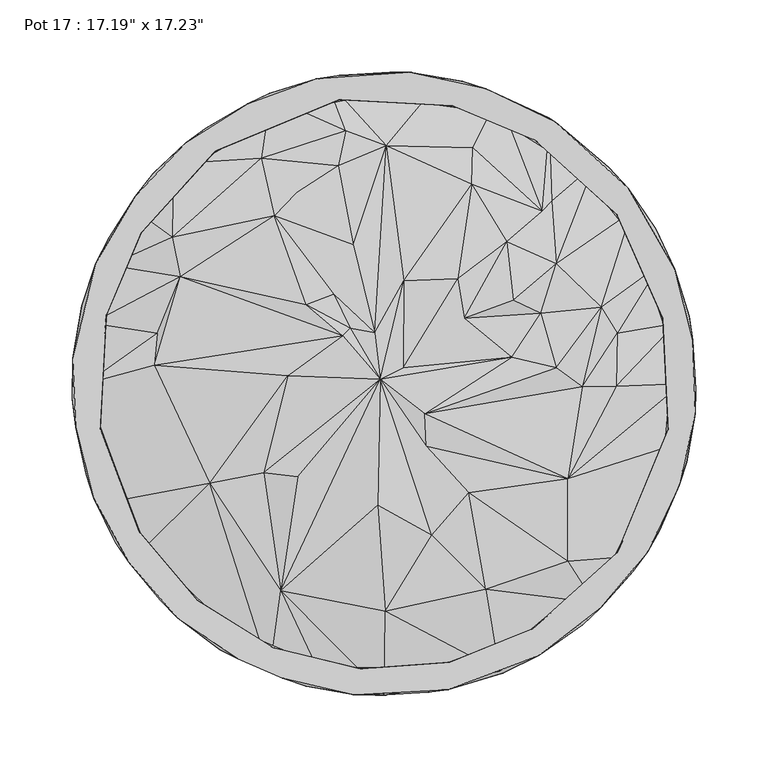
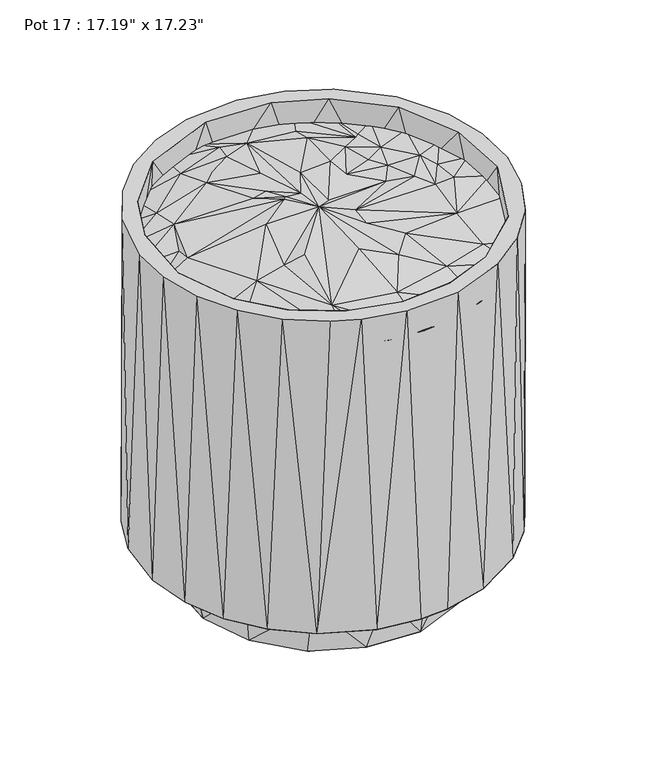
"""IFC4 building model written with IfcOpenShell, lengths in millimetres: furniture geometry."""

from ifc_helpers import new_model, si_unit, origin, place, context, project, spatial, triangles, source, transform, mapped, element, save


def furniture_3b4fa80d(model_context):
    return source(origin(), model_context, "Body", "Tessellation", [
        triangles([(-113.512757, -177.8263368, 431.5427361), (-79.1554428, -199.5474674, 433.4929078), (-172.1236689, -120.2713107, 433.671458), (-144.565104, -151.2540307, 431.5427361), (-39.9708751, -211.1917966, 432.8522856), (-71.5866097, -143.7030472, 448.0949962), (-120.8410252, -69.2688097, 452.5847294), (0.46134, -216.1950159, 433.6086348), (40.3082364, -209.7301852, 431.5427361), (79.9987325, -199.7872056, 433.7444186), (0.844717, -158.0730186, 448.4695736), (114.1757979, -177.8261915, 431.5427361), (146.2011324, -152.1011719, 432.649391), (70.6965932, -142.9599512, 449.2403841), (-4.1003226, -84.4884657, 462.8542697), (-83.4639098, -61.841397, 455.3624668), (-59.8716725, -64.8155205, 462.0828415), (-2.6347638, 3.0398294, 463.6527675), (33.3988675, -105.2717266, 454.1452083), (127.7081932, -123.281583, 445.7669769), (58.8538658, -75.8834632, 455.8590208), (172.7149482, -119.8451194, 433.4251431), (-190.8445284, -82.4226125, 433.1630588), (29.5429233, -43.6255121, 459.1677215), (127.7303666, -66.0076307, 451.6950671), (189.6479081, -81.934897, 431.5427361), (202.7702358, -42.1216431, 432.7954213), (-159.4517316, 12.5431604, 446.4621017), (-206.3221992, -0.3055558, 433.0070363), (-200.6456925, -41.852519, 431.5426271), (-66.8027402, 5.2789525, 462.1903567), (28.2723908, -21.1063402, 464.008705), (206.6884014, -0.193879, 432.7560342), (137.7725589, -2.1599532, 447.3089976), (161.2205554, -2.0162389, 448.1670121), (88.9072458, 18.0862848, 456.1971179), (119.5335377, 10.9756064, 455.7706541), (-157.1855546, 34.7749736, 440.7497686), (-202.8088599, 41.8494259, 433.3850656), (-28.5210607, 33.2193863, 464.1219249), (-141.2019735, 74.0407477, 446.6941006), (13.5409828, 10.9662524, 461.6588848), (13.7057302, 71.3509183, 460.9431945), (-23.1494909, 38.3733345, 462.4003366), (-6.4563749, 35.0484807, 463.642412), (55.7858936, 45.3588002, 460.4328332), (51.4462012, 72.7410769, 462.2214231), (109.0788797, 48.8166515, 450.9782504), (151.0481839, 53.0303523, 446.8084468), (161.8442455, 34.7752347, 442.7702485), (203.1106946, 41.872049, 433.0898437), (-190.1638468, 81.9523378, 432.5822803), (-53.9891737, 54.758231, 461.612485), (-34.6560469, 61.7799817, 459.631683), (-76.1451705, 116.2512435, 452.1652056), (1.532793, 164.8914795, 447.4300658), (-21.1348541, 96.3172859, 457.6141099), (89.8203805, 57.8773766, 459.8539804), (85.1509616, 98.4905725, 453.7689231), (119.7085361, 83.1500663, 450.2837797), (191.0500573, 82.2007965, 432.8339364), (172.009468, 119.2862509, 432.8161323), (-146.8448612, 101.5157604, 446.3573479), (-170.6850576, 118.9236186, 432.1781625), (61.0797383, 138.2060081, 449.3941175), (110.0006076, 119.6694034, 444.6200266), (116.4777286, 126.4833679, 442.0618615), (146.5523282, 152.1180859, 433.0748374), (-146.1839641, 152.4093744, 433.4334274), (-85.196017, 156.2397911, 443.0088241), (-60.9874747, 131.8657065, 450.6162812), (-31.6114426, 150.9577643, 449.4079974), (114.9096467, 178.6539026, 432.7322711), (61.7551786, 163.7321935, 442.1760261), (79.4103146, 198.6782254, 432.9247375), (-78.784944, 198.663437, 432.9247375), (-113.5129932, 177.4906742, 431.5426271), (-26.368619, 175.5021873, 445.2420453), (40.5914767, 211.554002, 433.4416391), (-40.044785, 210.6499147, 432.6893231), (0.3316403, 213.5003948, 431.5426271)], [[1, 2, 3], [1, 3, 4], [2, 5, 6], [2, 6, 7], [2, 7, 3], [5, 8, 6], [8, 9, 10], [8, 10, 11], [8, 11, 6], [10, 12, 13], [10, 14, 11], [10, 13, 14], [6, 11, 15], [6, 16, 7], [6, 17, 16], [6, 15, 18], [6, 18, 17], [11, 14, 19], [11, 19, 15], [14, 13, 20], [14, 20, 21], [14, 21, 19], [13, 22, 20], [3, 7, 23], [19, 21, 24], [19, 24, 18], [19, 18, 15], [20, 22, 25], [20, 25, 21], [22, 26, 27], [22, 27, 25], [23, 7, 28], [23, 29, 30], [23, 28, 29], [7, 16, 31], [7, 31, 28], [16, 17, 18], [16, 18, 31], [21, 25, 24], [25, 32, 24], [25, 27, 33], [25, 34, 32], [25, 35, 34], [25, 33, 35], [32, 18, 24], [32, 36, 18], [32, 37, 36], [32, 34, 37], [29, 28, 38], [29, 38, 39], [28, 40, 41], [28, 31, 40], [28, 41, 38], [31, 18, 40], [18, 42, 43], [18, 36, 42], [18, 44, 40], [18, 45, 44], [18, 43, 45], [42, 36, 46], [42, 46, 47], [42, 47, 43], [36, 37, 48], [36, 48, 46], [37, 34, 49], [37, 49, 48], [34, 35, 50], [34, 50, 49], [35, 33, 51], [35, 51, 50], [39, 38, 41], [39, 41, 52], [53, 40, 44], [53, 44, 54], [53, 41, 40], [53, 54, 55], [53, 55, 41], [44, 45, 54], [45, 43, 56], [45, 57, 54], [45, 56, 57], [46, 48, 58], [46, 58, 59], [46, 59, 47], [48, 49, 60], [48, 60, 58], [49, 50, 61], [49, 61, 62], [49, 62, 60], [50, 51, 61], [52, 41, 63], [52, 63, 64], [41, 55, 63], [54, 57, 55], [43, 47, 65], [43, 65, 56], [47, 59, 65], [58, 60, 59], [60, 66, 59], [60, 67, 66], [60, 62, 68], [60, 68, 67], [64, 63, 69], [63, 55, 70], [63, 70, 69], [55, 71, 70], [55, 57, 71], [71, 57, 72], [71, 72, 70], [57, 56, 72], [59, 66, 65], [66, 67, 73], [66, 74, 65], [66, 75, 74], [66, 73, 75], [67, 68, 73], [69, 70, 76], [69, 76, 77], [70, 72, 78], [70, 78, 76], [72, 56, 78], [56, 65, 74], [56, 74, 79], [56, 80, 78], [56, 79, 80], [74, 75, 79], [76, 78, 80], [80, 79, 81]], closed=False),
        triangles([(40.5840871, -194.5947719, 388.815911), (-16.2720684, -198.0903979, 466.7487267), (45.7017435, -193.5341353, 466.7485087), (98.6955201, -172.6400436, 388.815911), (-108.6866889, -166.1112815, 388.8160927), (-165.3656875, -111.3559119, 388.815911), (-129.4369667, -150.5314095, 466.7487267), (-76.6212951, -183.2726068, 466.7485814), (103.2342874, -170.0504488, 466.7485814), (157.2804434, -123.3963379, 388.8159837), (-197.7846571, -24.0106506, 388.8160927), (-196.8052474, -31.5153456, 466.7432765), (-169.5516057, -103.0703348, 466.7486541), (161.8940789, -117.3972764, 466.7432765), (191.8415969, -52.5710825, 388.8160927), (197.4170197, -31.6245413, 466.8056637), (198.4496056, 23.6799409, 388.8160927), (-191.1790283, 52.2344207, 388.815911), (-192.5573417, 47.1946393, 466.7486541), (193.6974611, 45.2046263, 466.7486541), (172.8031696, 98.1974037, 388.815911), (-165.6131833, 108.8496877, 388.8159837), (-168.4815947, 104.4814133, 466.7484724), (-123.8019454, 154.7945668, 388.8159837), (-117.0992841, 161.2496778, 466.7432402), (161.7479396, 117.2641632, 466.7432402), (133.9669227, 146.6787195, 388.8158747), (-69.8404318, 185.5694688, 388.8159837), (104.9795115, 168.6458289, 466.7487267), (69.0293303, 187.1798538, 388.8160927), (-9.0103148, 198.1630497, 388.815911), (-31.0189733, 196.9686459, 466.7430948), (47.6930146, 192.7212125, 466.7485087), (-101.2742507, -191.1231814, 466.7638421), (-143.2685897, -162.4583977, 466.7928374), (-70.1041239, -204.6872154, 466.7633334), (-20.4505913, -215.8695089, 466.7928011), (44.3239206, -212.5694378, 466.7727805), (107.8066827, -188.5793505, 466.7729259), (150.5827872, -155.7759749, 466.7635514), (-176.8660575, -124.2264017, 466.7634424), (183.0882976, -116.6112688, 466.7929828), (-201.296325, -79.5748576, 466.7929828), (204.8509046, -70.6031033, 466.7634788), (-213.863127, -30.3087241, 466.7638421), (216.0327438, -20.9520528, 466.7928374), (-215.8467813, 17.6365563, 466.7727442), (214.5366687, 29.9239388, 466.7634424), (-199.7637696, 83.5702442, 466.7726352), (201.9581851, 79.2422471, 466.7928374), (-172.4128773, 130.0208972, 466.7633334), (169.6095418, 135.4603181, 466.7727805), (-137.4967127, 167.0531027, 466.7926558), (-94.4802795, 194.255294, 466.7633334), (-46.558618, 211.3997599, 466.7928011), (119.4145679, 181.1311496, 466.7729259), (18.1365008, 216.0108157, 466.7727805), (70.7671648, 204.3521886, 466.7634788), (-96.6699079, -134.4074754, 0.0672458), (-38.7246621, -160.2741378, 0.3102185), (-92.2768076, -139.0320841, 58.7339013), (-140.460013, -85.8032292, 0.0032334), (26.4973629, -163.7445837, 0.0047373), (-17.4894337, -164.1295166, 58.7380844), (97.9073051, -134.0374671, 0.022326), (82.2885001, -143.2903544, 58.7380844), (34.0485576, -161.6119195, 58.738148), (154.6511707, -63.5041316, 0.0033642), (122.5037598, -110.9601875, 58.7379527), (-142.7905575, -82.1262553, 58.737821), (-163.2149285, -26.3263432, 0.4317702), (-159.7623776, 38.8568442, 0.0609688), (-133.8074212, 96.9525305, 0.0146105), (97.4495387, 133.9723457, 0.0068296), (141.1283043, 85.4432131, 0.0610342), (163.8753352, 25.9968143, 0.4307894), (165.9820016, -6.0824679, 58.7360542), (150.7608922, -67.78428, 58.7380163), (-166.4459631, -6.8699641, 58.7337015), (-150.0983236, 67.4487218, 58.7377528), (154.5136065, 58.3892276, 58.737821), (121.6442556, 112.779753, 58.7359906), (-121.8407189, 110.6250426, 58.737821), (-75.0858783, 147.2903373, 0.4315086), (12.7615927, 166.1378424, 0.0964078), (-81.6259406, 142.9549461, 58.7376892), (-33.3862298, 161.2765657, 58.7376892), (18.1517604, 163.7943081, 58.7376302), (67.9483416, 150.2618493, 58.7376302), (-113.6758284, -184.7002813, 58.8305388), (-155.2770228, -150.4188891, 58.8336727), (-53.938391, -209.9628382, 58.8234126), (-3.456831, -216.4431476, 58.8339361), (30.47371, -214.3617339, 58.8339361), (82.6091746, -200.8671179, 58.8304071), (138.1597537, -167.3877298, 58.8233444), (-186.3904035, -110.1413785, 58.8230856), (173.0751915, -130.3558604, 58.8337453), (191.3351961, -101.6820656, 58.8336727), (-206.5293813, -63.3977518, 58.8335455), (210.1266363, -54.437116, 58.8232809), (-216.3374491, -10.3911092, 58.8303435), (216.6066187, -3.9559305, 58.8335455), (-209.4633592, 54.1027478, 58.8230856), (211.8980943, 46.7221572, 58.8230856), (-190.6518984, 101.3945014, 58.8335455), (188.7433485, 107.3069857, 58.8302799), (-160.1064155, 145.8106039, 58.8302799), (114.3386332, 184.3647277, 58.8300165), (155.9400637, 150.0834717, 58.8337453), (-123.6825032, 177.0560713, 58.8332866), (-79.0779584, 201.4590694, 58.8228903), (-29.7601225, 214.0376803, 58.8335455), (4.1718483, 216.1027432, 58.8332866), (54.6014319, 209.6273572, 58.8229538), (-38.2120617, -195.9551539, 388.8160927)], [[1, 2, 3], [1, 3, 4], [5, 6, 7], [5, 7, 8], [4, 3, 9], [4, 9, 10], [6, 11, 12], [6, 13, 7], [6, 12, 13], [10, 9, 14], [10, 14, 15], [15, 14, 16], [15, 16, 17], [11, 18, 19], [11, 19, 12], [17, 20, 21], [17, 16, 20], [18, 22, 23], [18, 23, 19], [22, 24, 25], [22, 25, 23], [21, 20, 26], [21, 26, 27], [24, 28, 25], [27, 26, 29], [27, 29, 30], [28, 31, 32], [28, 32, 25], [31, 30, 33], [31, 33, 32], [30, 29, 33], [34, 8, 35], [34, 36, 8], [8, 36, 2], [8, 7, 35], [36, 37, 2], [37, 38, 3], [37, 3, 2], [38, 39, 9], [38, 9, 3], [39, 40, 14], [39, 14, 9], [35, 7, 41], [7, 13, 41], [40, 42, 14], [41, 13, 43], [13, 12, 43], [14, 42, 16], [42, 44, 16], [43, 12, 45], [44, 46, 16], [45, 12, 47], [12, 19, 47], [16, 46, 20], [46, 48, 20], [47, 19, 49], [48, 50, 20], [49, 19, 23], [49, 23, 51], [20, 50, 26], [50, 52, 26], [23, 53, 51], [23, 25, 53], [26, 52, 29], [53, 25, 54], [25, 55, 54], [25, 32, 55], [29, 52, 56], [29, 56, 33], [55, 32, 57], [32, 33, 57], [57, 33, 58], [33, 56, 58], [59, 60, 61], [59, 61, 62], [59, 63, 60], [59, 62, 63], [60, 63, 64], [60, 64, 61], [63, 65, 66], [63, 67, 64], [63, 66, 67], [63, 62, 68], [63, 68, 65], [65, 68, 69], [65, 69, 66], [62, 61, 70], [62, 70, 71], [62, 71, 72], [62, 72, 73], [62, 73, 74], [62, 74, 68], [68, 75, 76], [68, 74, 75], [68, 76, 77], [68, 78, 69], [68, 77, 78], [71, 70, 79], [71, 79, 72], [72, 79, 80], [72, 80, 73], [76, 75, 81], [76, 81, 77], [75, 74, 82], [75, 82, 81], [73, 80, 83], [73, 83, 84], [73, 84, 85], [73, 85, 74], [84, 83, 86], [84, 86, 87], [84, 87, 85], [85, 87, 88], [85, 88, 89], [85, 89, 74], [74, 89, 82], [90, 91, 61], [90, 61, 92], [90, 92, 36], [90, 34, 35], [90, 36, 34], [90, 35, 91], [92, 61, 64], [92, 64, 93], [92, 93, 37], [92, 37, 36], [93, 64, 94], [93, 94, 38], [93, 38, 37], [94, 64, 67], [94, 67, 95], [94, 95, 38], [95, 67, 66], [95, 66, 96], [95, 96, 39], [95, 39, 38], [91, 97, 70], [91, 70, 61], [91, 35, 41], [91, 41, 97], [66, 69, 96], [96, 98, 40], [96, 40, 39], [96, 69, 98], [98, 99, 42], [98, 42, 40], [98, 69, 99], [97, 100, 79], [97, 79, 70], [97, 41, 43], [97, 43, 100], [69, 78, 99], [99, 101, 44], [99, 44, 42], [99, 78, 101], [100, 102, 79], [100, 43, 45], [100, 45, 102], [78, 77, 101], [101, 77, 103], [101, 103, 46], [101, 46, 44], [102, 104, 79], [102, 45, 47], [102, 47, 104], [79, 104, 80], [77, 81, 105], [77, 105, 103], [103, 105, 48], [103, 48, 46], [104, 47, 49], [104, 49, 106], [104, 106, 80], [80, 106, 83], [81, 82, 107], [81, 107, 105], [105, 107, 50], [105, 50, 48], [106, 49, 51], [106, 51, 108], [106, 108, 83], [83, 108, 86], [82, 89, 109], [82, 110, 107], [82, 109, 110], [107, 110, 52], [107, 52, 50], [108, 51, 53], [108, 53, 111], [108, 111, 86], [86, 111, 112], [86, 112, 87], [87, 112, 113], [87, 113, 88], [88, 113, 114], [88, 114, 115], [88, 115, 89], [89, 115, 109], [110, 109, 56], [110, 56, 52], [111, 53, 54], [111, 54, 112], [112, 54, 55], [112, 55, 113], [113, 55, 57], [113, 57, 114], [114, 57, 115], [115, 57, 58], [115, 58, 109], [109, 58, 56], [116, 5, 8], [116, 8, 2], [116, 2, 1]], closed=False),
    ])


if __name__ == "__main__":
    model = new_model("IFC4")
    model_context = context("Model", 3, world=origin())
    ifc_project = project(units=[si_unit("LENGTHUNIT", "METRE", prefix="MILLI")], contexts=[model_context])
    site = spatial("IfcSite", under=ifc_project)
    building = spatial("IfcBuilding", under=site)
    placement = place(None, origin())
    furniture_shape = furniture_3b4fa80d(model_context)
    element("IfcFurniture", 1, ObjectType="Pot 17 : 17.19\" x 17.23\"", at=placement, inside=building, context=model_context, shape_type="MappedRepresentation", body=[
        mapped(furniture_shape, transform((0.0, 0.0, 0.0), x_axis=(1.0, 0.0, 0.0), y_axis=(0.0, 1.0, 0.0), z_axis=(0.0, 0.0, 1.0))),
    ])
    save(model, "model.ifc")
